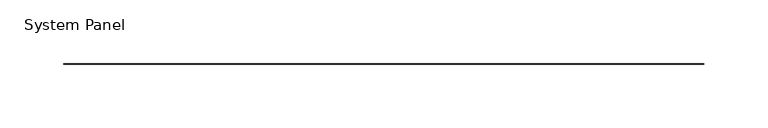
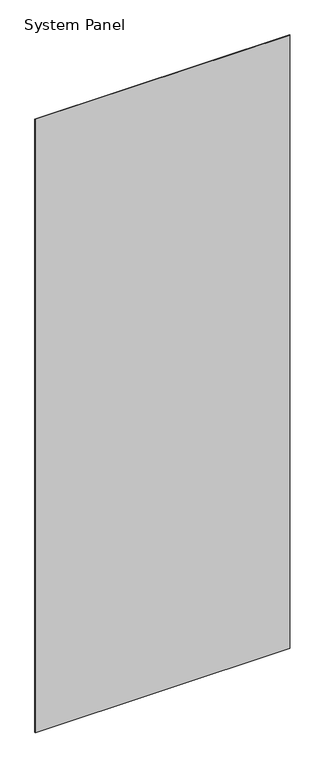
"""IFC4 building model written with IfcOpenShell, lengths in millimetres: plate geometry, System Panel."""

from ifc_helpers import new_model, si_unit, origin, origin_with_axes, place, context, project, spatial, polyline, outline, extrude, source, transform, mapped, element, save


def system_panel_01006fc9(model_context):
    return source(origin(), model_context, "Body", "SweptSolid", [
        extrude(outline(polyline([(252.2855, -0.2480469), (-252.2855, -0.2480469), (-252.2855, 0.2480469), (252.2855, 0.2480469), (252.2855, -0.2480469)])), origin_with_axes(), (0.0, 0.0, 1.0), 1285.875),
    ])


if __name__ == "__main__":
    model = new_model("IFC4")
    model_context = context("Model", 3, world=origin())
    ifc_project = project(units=[si_unit("LENGTHUNIT", "METRE", prefix="MILLI")], contexts=[model_context])
    site = spatial("IfcSite", under=ifc_project)
    building = spatial("IfcBuilding", under=site)
    placement = place(None, origin())
    system_panel_shape = system_panel_01006fc9(model_context)
    element("IfcPlate", 1, ObjectType="System Panel", at=placement, inside=building, context=model_context, shape_type="MappedRepresentation", body=[
        mapped(system_panel_shape, transform((0.0, 0.0, 0.0), x_axis=(1.0, 0.0, 0.0), y_axis=(0.0, 1.0, 0.0), z_axis=(0.0, 0.0, 1.0))),
    ])
    save(model, "model.ifc")
